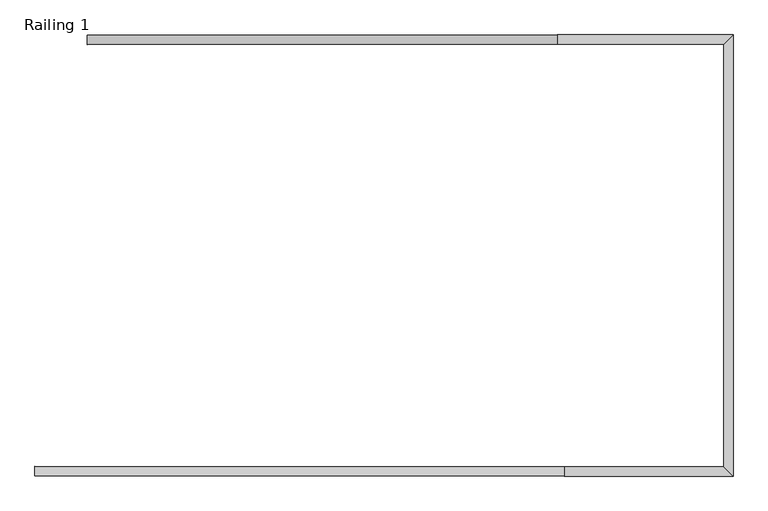
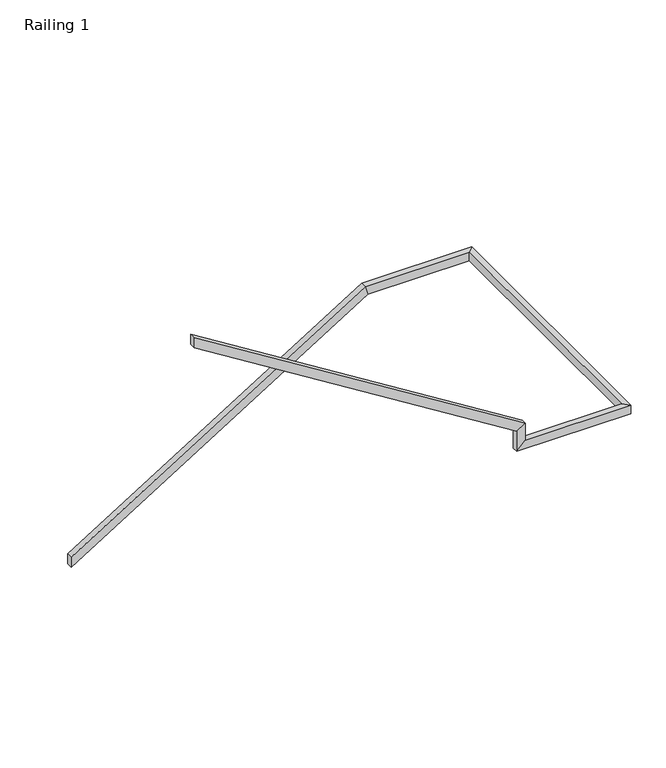
"""IFC4 building model written with IfcOpenShell, lengths in millimetres: railing geometry, Railing 1."""

from ifc_helpers import new_model, si_unit, origin, place, context, project, spatial, faceted_brep, source, transform, mapped, element, save


def railing_1_d03035b1(model_context):
    return source(origin(), model_context, "Body", "Brep", [
        faceted_brep([(2168.965242, 7784.3646589, 1088.5714286), (2168.965242, 7835.1646589, 1088.5714286), (2168.965242, 7835.1646589, 998.7782586), (2168.965242, 7784.3646589, 998.7782586), (4683.565242, 7784.3646589, 2656.1142857), (4683.565242, 7835.1646589, 2656.1142857), (4705.3709522, 7835.1646589, 2579.9142857), (4705.3709522, 7784.3646589, 2579.9142857), (5572.565242, 7784.3646589, 2656.1142857), (5623.365242, 7835.1646589, 2656.1142857), (5623.365242, 7835.1646589, 2579.9142857), (5572.565242, 7784.3646589, 2579.9142857), (5572.565242, 5524.6118192, 2656.1142857), (5623.365242, 5473.8118192, 2656.1142857), (5623.365242, 5473.8118192, 2579.9142857), (5572.565242, 5524.6118192, 2579.9142857), (4721.665242, 5524.6118192, 2656.1142857), (4721.665242, 5473.8118192, 2656.1142857), (4645.465242, 5473.8118192, 2579.9142857), (4645.465242, 5524.6118192, 2579.9142857), (4721.665242, 5524.6118192, 2806.5350649), (4721.665242, 5473.8118192, 2806.5350649), (4645.465242, 5473.8118192, 2764.2431936), (4645.465242, 5524.6118192, 2764.2431936), (1889.565242, 5524.6118192, 4572.0), (1889.565242, 5524.6118192, 4482.20683), (1889.565242, 5473.8118192, 4482.20683), (1889.565242, 5473.8118192, 4572.0)], [[[0, 1, 2, 3]], [[1, 0, 4, 5]], [[2, 1, 5, 6]], [[3, 2, 6, 7]], [[0, 3, 7, 4]], [[5, 4, 8, 9]], [[6, 5, 9, 10]], [[7, 6, 10, 11]], [[4, 7, 11, 8]], [[9, 8, 12, 13]], [[10, 9, 13, 14]], [[11, 10, 14, 15]], [[8, 11, 15, 12]], [[13, 12, 16, 17]], [[14, 13, 17, 18]], [[15, 14, 18, 19]], [[12, 15, 19, 16]], [[17, 16, 20, 21]], [[18, 17, 21, 22]], [[19, 18, 22, 23]], [[16, 19, 23, 20]], [[24, 25, 26, 27]], [[21, 20, 24, 27]], [[22, 21, 27, 26]], [[23, 22, 26, 25]], [[20, 23, 25, 24]]]),
    ])


if __name__ == "__main__":
    model = new_model("IFC4")
    model_context = context("Model", 3, world=origin())
    ifc_project = project(units=[si_unit("LENGTHUNIT", "METRE", prefix="MILLI")], contexts=[model_context])
    site = spatial("IfcSite", under=ifc_project)
    building = spatial("IfcBuilding", under=site)
    placement = place(None, origin())
    railing_1_shape = railing_1_d03035b1(model_context)
    element("IfcRailing", 1, ObjectType="Railing 1", at=placement, inside=building, context=model_context, shape_type="MappedRepresentation", body=[
        mapped(railing_1_shape, transform((0.0, 0.0, 0.0), x_axis=(1.0, 0.0, 0.0), y_axis=(0.0, 1.0, 0.0), z_axis=(0.0, 0.0, 1.0))),
    ])
    save(model, "model.ifc")
